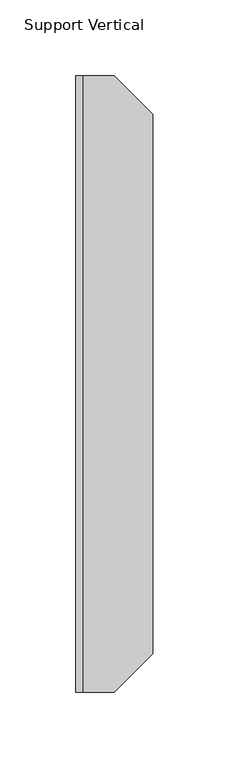
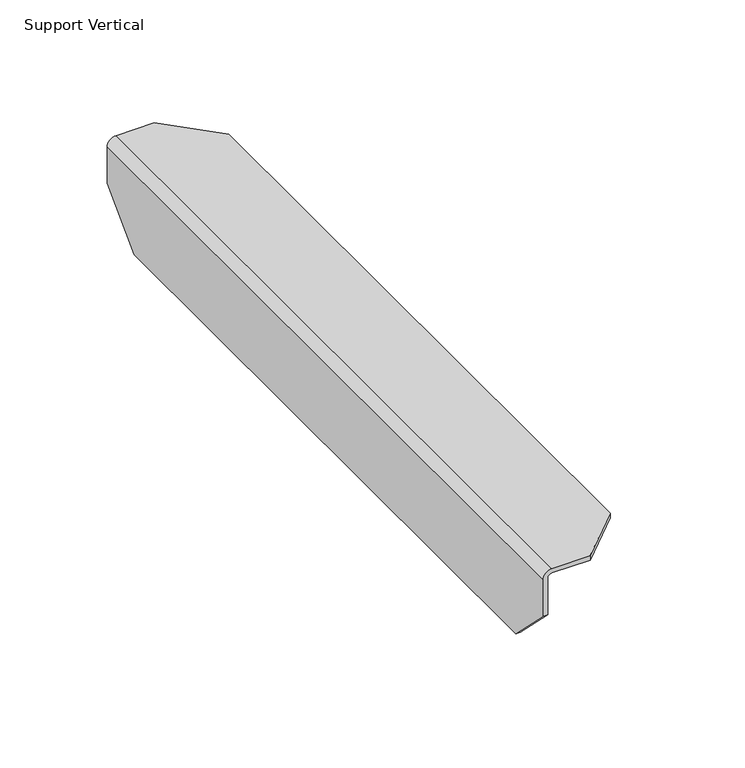
"""IFC4 building model written with IfcOpenShell, lengths in millimetres: furniture geometry, Support Vertical."""

from ifc_helpers import new_model, si_unit, frame, origin, place, context, project, spatial, polyline, circle_curve, source, transform, mapped, element, save
from ifc_brep_helpers import plane_surface, cylinder_surface, revolved_surface, advanced_brep


def support_vertical_54dedf84(model_context):
    return source(origin(), model_context, "Body", "AdvancedBrep", [
        advanced_brep(
        [(2.4638, -406.4, 884.2502), (4.7498, -406.4, 886.5362), (25.4, -406.4, 886.5362), (25.4, -406.4, 889.0), (4.7498, -406.4, 889.0), (0.0, -406.4, 884.2502), (0.0, -406.4, 863.6), (2.4638, -406.4, 863.6), (0.0, 0.0, 884.2502), (4.7498, 0.0, 889.0), (25.4, 0.0, 889.0), (25.4, 0.0, 886.5362), (4.7498, 0.0, 886.5362), (2.4638, 0.0, 884.2502), (2.4638, 0.0, 863.6), (0.0, 0.0, 863.6), (0.0, -381.0, 838.2), (0.0, -25.4, 838.2), (2.4638, -25.4, 838.2), (2.4638, -381.0, 838.2), (50.8, -25.4, 886.5362), (50.8, -381.0, 886.5362), (50.8, -25.4, 889.0), (50.8, -381.0, 889.0)],
        [
            (0, 1, circle_curve(frame((4.7498, -406.4, 884.2502), z_axis=(0.0, 1.0, 0.0), x_axis=(1.0, 0.0, 0.0)), 2.286)),
            (1, 2),
            (2, 3),
            (3, 4),
            (4, 5, circle_curve(frame((4.7498, -406.4, 884.2502), z_axis=(0.0, -1.0, 0.0), x_axis=(1.0, 0.0, 0.0)), 4.7498)),
            (5, 6),
            (6, 7),
            (7, 0),
            (8, 9, circle_curve(frame((4.7498, 0.0, 884.2502), z_axis=(0.0, 1.0, 0.0), x_axis=(1.0, 0.0, 0.0)), 4.7498)),
            (9, 10),
            (10, 11),
            (11, 12),
            (12, 13, circle_curve(frame((4.7498, 0.0, 884.2502), z_axis=(0.0, -1.0, 0.0), x_axis=(1.0, 0.0, 0.0)), 2.286)),
            (13, 14),
            (14, 15),
            (15, 8),
            (16, 17),
            (17, 18),
            (18, 19),
            (19, 16),
            (13, 0),
            (7, 19),
            (18, 14),
            (12, 1),
            (11, 20),
            (20, 21),
            (21, 2),
            (20, 22),
            (22, 23),
            (23, 21),
            (9, 4),
            (3, 23),
            (22, 10),
            (8, 5),
            (15, 17),
            (16, 6),
        ],
        [
            plane_surface(frame((0.0, -406.4, 838.2), z_axis=(0.0, -1.0, 0.0), x_axis=(1.0, 0.0, 0.0))),
            plane_surface(frame((0.0, 0.0, 838.2), z_axis=(0.0, 1.0, 0.0), x_axis=(-1.0, 0.0, 0.0))),
            plane_surface(frame((0.0, -406.4, 838.2), z_axis=(0.0, 0.0, -1.0), x_axis=(0.0, 1.0, 0.0))),
            plane_surface(frame((2.4638, -406.4, 838.2), z_axis=(1.0, 0.0, 0.0), x_axis=(0.0, 1.0, 0.0))),
            revolved_surface(polyline([(7.0358, 0.0, 884.2502), (7.0358, -406.4, 884.2502)]), (4.7498, 0.0, 884.2502), (0.0, 1.0, 0.0)),
            plane_surface(frame((4.7498, -406.4, 886.5362), z_axis=(0.0, 0.0, -1.0), x_axis=(0.0, 1.0, 0.0))),
            plane_surface(frame((50.8, -406.4, 886.5362), z_axis=(1.0, 0.0, 0.0), x_axis=(0.0, 1.0, 0.0))),
            plane_surface(frame((50.8, -406.4, 889.0), z_axis=(0.0, 0.0, 1.0), x_axis=(0.0, 1.0, 0.0))),
            cylinder_surface(frame((4.7498, 0.0, 884.2502), z_axis=(0.0, -1.0, 0.0), x_axis=(1.0, 0.0, 0.0)), 4.7498),
            plane_surface(frame((0.0, -406.4, 884.2502), z_axis=(-1.0, 0.0, 0.0), x_axis=(0.0, 1.0, 0.0))),
            plane_surface(frame((25.4, 0.0, 889.0), z_axis=(0.7071067811857575, 0.7071067811873375, 0.0), x_axis=(0.0, 0.0, -1.0))),
            plane_surface(frame((50.8, -381.0, 889.0), z_axis=(0.7071067811865472, -0.7071067811865479, 0.0), x_axis=(0.0, 0.0, -1.0))),
            plane_surface(frame((2.4638, 0.0, 863.6), z_axis=(0.0, 0.7071067811851919, -0.7071067811879032), x_axis=(-1.0, 0.0, 0.0))),
            plane_surface(frame((2.4638, -381.0, 838.2), z_axis=(0.0, -0.7071067811852013, -0.7071067811878937), x_axis=(-1.0, 0.0, 0.0))),
        ],
        [
            (0, [[1, 2, 3, 4, 5, 6, 7, 8]]),
            (1, [[9, 10, 11, 12, 13, 14, 15, 16]]),
            (2, [[17, 18, 19, 20]]),
            (3, [[21, -8, 22, -19, 23, -14]]),
            (4, [[-1, -21, -13, 24]]),
            (5, [[-24, -12, 25, 26, 27, -2]]),
            (6, [[-26, 28, 29, 30]]),
            (7, [[31, -4, 32, -29, 33, -10]]),
            (8, [[-5, -31, -9, 34]]),
            (9, [[-34, -16, 35, -17, 36, -6]]),
            (10, [[-11, -33, -28, -25]]),
            (11, [[-3, -27, -30, -32]]),
            (12, [[-15, -23, -18, -35]]),
            (13, [[-7, -36, -20, -22]]),
        ],
    ),
    ])


if __name__ == "__main__":
    model = new_model("IFC4")
    model_context = context("Model", 3, world=origin())
    ifc_project = project(units=[si_unit("LENGTHUNIT", "METRE", prefix="MILLI")], contexts=[model_context])
    site = spatial("IfcSite", under=ifc_project)
    building = spatial("IfcBuilding", under=site)
    placement = place(None, origin())
    support_vertical_shape = support_vertical_54dedf84(model_context)
    element("IfcFurniture", 1, ObjectType="Support Vertical", at=placement, inside=building, context=model_context, shape_type="MappedRepresentation", body=[
        mapped(support_vertical_shape, transform((0.0, 0.0, 0.0), x_axis=(1.0, 0.0, 0.0), y_axis=(0.0, 1.0, 0.0), z_axis=(0.0, 0.0, 1.0))),
    ])
    save(model, "model.ifc")
